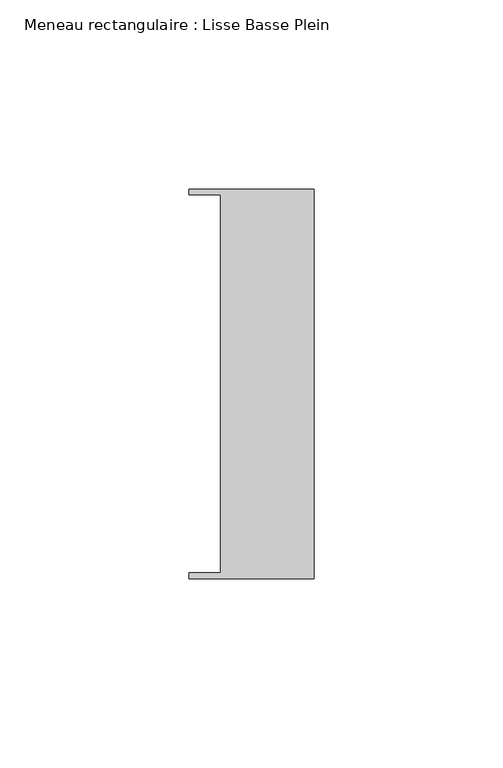
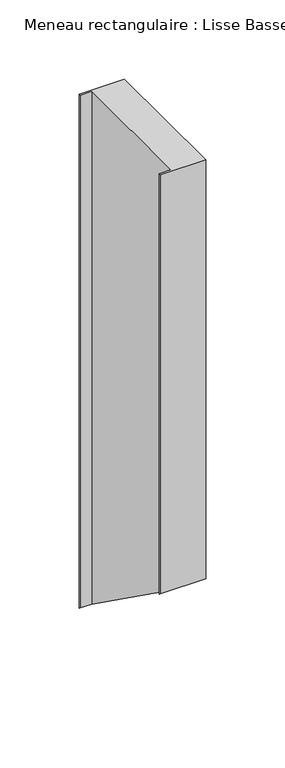
"""IFC4 building model written with IfcOpenShell, lengths in millimetres: member geometry, Meneau rectangulaire : Lisse Basse Plein."""

from ifc_helpers import new_model, si_unit, origin, place, context, project, spatial, faceted_brep, source, transform, mapped, element, save


def meneau_rectangulaire_lisse_basse_plein_6475281f(model_context):
    return source(origin(), model_context, "Body", "Brep", [
        faceted_brep([(0.0, -51.5026203, 0.0), (0.0, 51.5026203, 0.0), (-33.0710396, 51.5026203, 0.0), (-33.0710396, 49.9505686, 0.0), (-24.7130865, 49.9505686, 0.0), (-24.7130865, -49.9505686, 0.0), (-33.0710396, -49.9505686, 0.0), (-33.0710396, -51.5026203, 0.0), (0.0, -51.5026203, -323.6190472), (0.0, 51.5026203, -397.0919712), (-33.0710396, 51.5026203, -397.0919712), (-33.0710396, 49.9505686, -395.9849035), (-24.7130865, 49.9505686, -395.9849035), (-24.7130865, -49.9505686, -324.7261149), (-33.0710396, -49.9505686, -324.7261149), (-33.0710396, -51.5026203, -323.6190472)], [[[0, 1, 2, 3, 4, 5, 6, 7]], [[1, 0, 8, 9]], [[2, 1, 9, 10]], [[3, 2, 10, 11]], [[4, 3, 11, 12]], [[5, 4, 12, 13]], [[6, 5, 13, 14]], [[7, 6, 14, 15]], [[0, 7, 15, 8]], [[8, 15, 14, 13, 12, 11, 10, 9]]]),
    ])


if __name__ == "__main__":
    model = new_model("IFC4")
    model_context = context("Model", 3, world=origin())
    ifc_project = project(units=[si_unit("LENGTHUNIT", "METRE", prefix="MILLI")], contexts=[model_context])
    site = spatial("IfcSite", under=ifc_project)
    building = spatial("IfcBuilding", under=site)
    placement = place(None, origin())
    meneau_rectangulaire_lisse_basse_plein_shape = meneau_rectangulaire_lisse_basse_plein_6475281f(model_context)
    element("IfcMember", 1, ObjectType="Meneau rectangulaire : Lisse Basse Plein", at=placement, inside=building, context=model_context, shape_type="MappedRepresentation", body=[
        mapped(meneau_rectangulaire_lisse_basse_plein_shape, transform((0.0, 0.0, 0.0), x_axis=(1.0, 0.0, 0.0), y_axis=(0.0, 1.0, 0.0), z_axis=(0.0, 0.0, 1.0))),
    ])
    save(model, "model.ifc")
